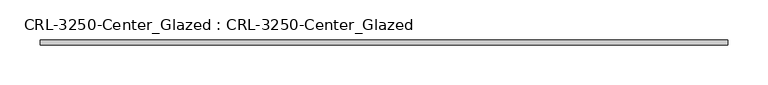
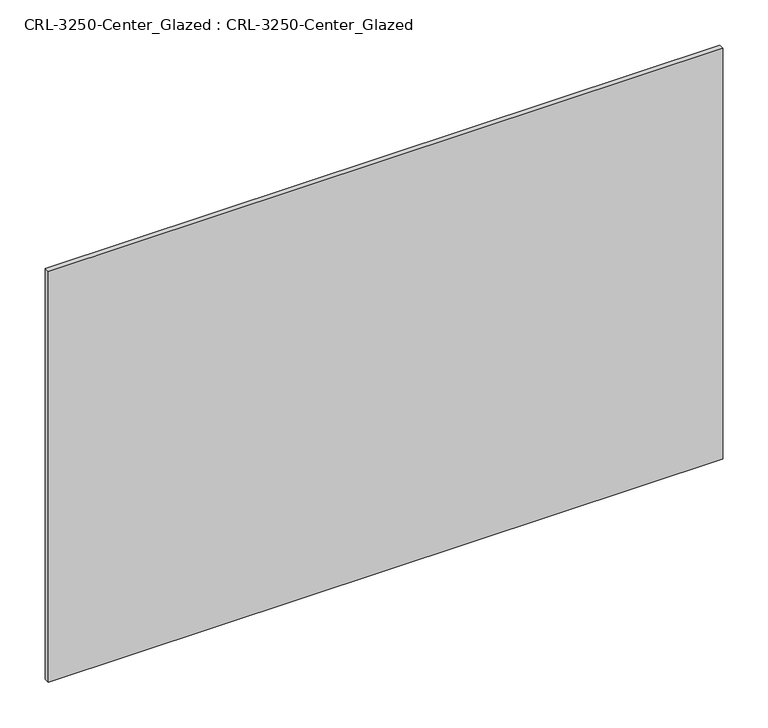
"""IFC4 building model written with IfcOpenShell, lengths in millimetres: plate geometry, CRL-3250-Center_Glazed : CRL-3250-Center_Glazed."""

from ifc_helpers import new_model, si_unit, origin, origin_with_axes, place, context, project, spatial, polyline, outline, extrude, source, transform, mapped, element, save


def crl_3250_center_glazed_crl_3250_center_glazed_65070daf(model_context):
    return source(origin(), model_context, "Body", "SweptSolid", [
        extrude(outline(polyline([(428.4448688, -3.1749999), (-428.4448688, -3.1749999), (-428.4448688, 3.1749999), (428.4448688, 3.1749999), (428.4448688, -3.1749999)])), origin_with_axes(), (0.0, 0.0, 1.0), 552.4500045),
    ])


if __name__ == "__main__":
    model = new_model("IFC4")
    model_context = context("Model", 3, world=origin())
    ifc_project = project(units=[si_unit("LENGTHUNIT", "METRE", prefix="MILLI")], contexts=[model_context])
    site = spatial("IfcSite", under=ifc_project)
    building = spatial("IfcBuilding", under=site)
    placement = place(None, origin())
    crl_3250_center_glazed_crl_3250_center_glazed_shape = crl_3250_center_glazed_crl_3250_center_glazed_65070daf(model_context)
    element("IfcPlate", 1, ObjectType="CRL-3250-Center_Glazed : CRL-3250-Center_Glazed", at=placement, inside=building, context=model_context, shape_type="MappedRepresentation", body=[
        mapped(crl_3250_center_glazed_crl_3250_center_glazed_shape, transform((0.0, 0.0, 0.0), x_axis=(1.0, 0.0, 0.0), y_axis=(0.0, 1.0, 0.0), z_axis=(0.0, 0.0, 1.0))),
    ])
    save(model, "model.ifc")
